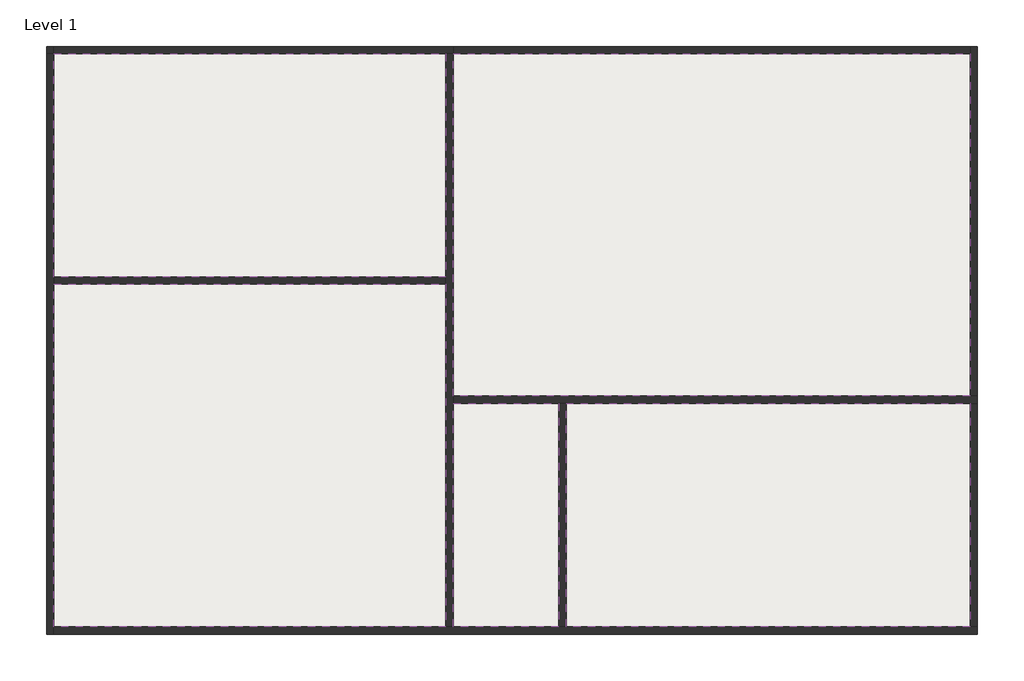
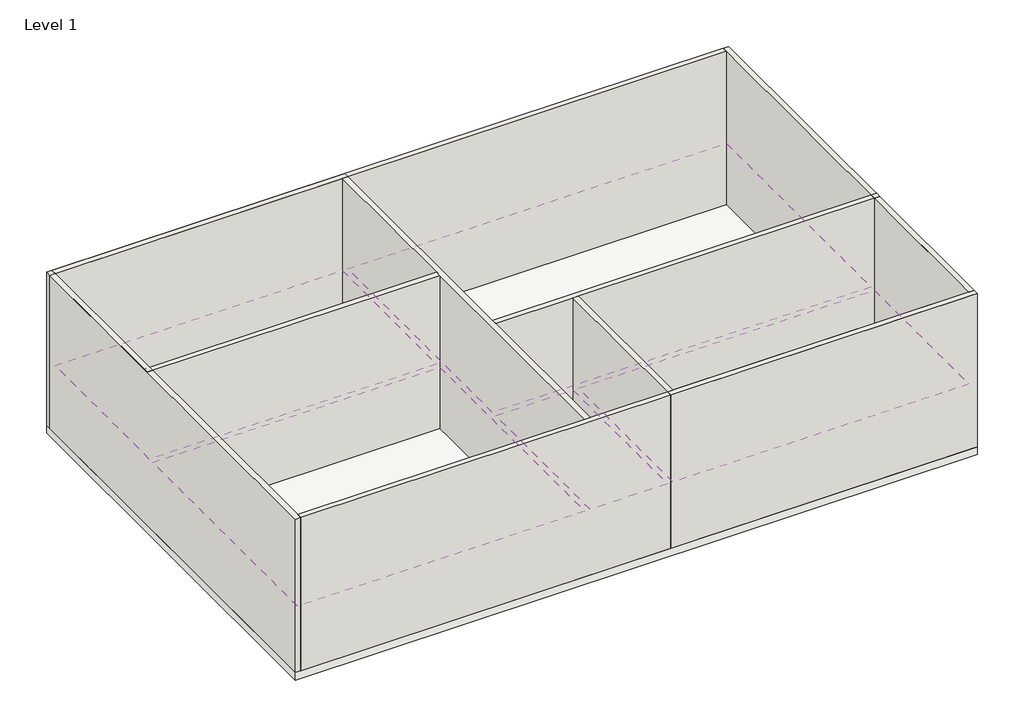
# One storey: 12 walls, 5 coverings, 1 slab.
"""IFC4 building model written with IfcOpenShell, lengths in millimetres."""

from ifc_helpers import new_model, si_unit, frame, origin, origin_with_axes, place, context, project, spatial, polyline, outline, extrude, faceted_brep, element, save

model = new_model("IFC4")

# Units and contexts
model_context = context("Model", 3, world=origin())
ifc_project = project(units=[si_unit("LENGTHUNIT", "METRE", prefix="MILLI")], contexts=[model_context])

# Site, building, storey
site = spatial("IfcSite", under=ifc_project)
building = spatial("IfcBuilding", under=site)
storey = spatial("IfcBuildingStorey", under=building, Name="Level 1", Elevation=0.0)

# Coverings
placement = place(None, origin())
element("IfcCovering", 1, ObjectType="2' x 4' ACT System", at=placement, inside=storey, context=model_context, shape_type="SweptSolid", body=[
    extrude(outline(polyline([(-18685.0844409, 14322.8304166), (-7883.0800423, 14322.8304166), (-7883.0800423, 8172.0598006), (-18685.0844409, 8172.0598006), (-18685.0844409, 14322.8304166)])), frame((0.0, 0.0, 2438.4), z_axis=(0.0, 0.0, 1.0), x_axis=(1.0, 0.0, 0.0)), (0.0, 0.0, 1.0), 57.15),
])
element("IfcCovering", 2, ObjectType="2' x 4' ACT System", at=placement, inside=storey, context=model_context, shape_type="SweptSolid", body=[
    extrude(outline(polyline([(6562.5155591, -1475.9695834), (-4568.3084551, -1475.9695834), (-4568.3084551, 4687.5661268), (6562.5155591, 4687.5661268), (6562.5155591, -1475.9695834)])), frame((0.0, 0.0, 2438.4), z_axis=(0.0, 0.0, 1.0), x_axis=(1.0, 0.0, 0.0)), (0.0, 0.0, 1.0), 57.15),
])
element("IfcCovering", 3, ObjectType="2' x 4' ACT System", at=placement, inside=storey, context=model_context, shape_type="SweptSolid", body=[
    extrude(outline(polyline([(-18685.0844409, -1475.9695834), (-18685.0844409, 7968.8598006), (-7883.0800423, 7968.8598006), (-7883.0800423, -1475.9695834), (-18685.0844409, -1475.9695834)])), frame((0.0, 0.0, 2438.4), z_axis=(0.0, 0.0, 1.0), x_axis=(1.0, 0.0, 0.0)), (0.0, 0.0, 1.0), 57.15),
])
element("IfcCovering", 4, ObjectType="2' x 4' ACT System", at=placement, inside=storey, context=model_context, shape_type="SweptSolid", body=[
    extrude(outline(polyline([(-4771.5084551, -1475.9695834), (-7679.8800423, -1475.9695834), (-7679.8800423, 4687.5661268), (-4771.5084551, 4687.5661268), (-4771.5084551, -1475.9695834)])), frame((0.0, 0.0, 2438.4), z_axis=(0.0, 0.0, 1.0), x_axis=(1.0, 0.0, 0.0)), (0.0, 0.0, 1.0), 57.15),
])
element("IfcCovering", 5, ObjectType="2' x 4' ACT System", at=placement, inside=storey, context=model_context, shape_type="SweptSolid", body=[
    extrude(outline(polyline([(-7679.8800423, 14322.8304166), (6562.5155591, 14322.8304166), (6562.5155591, 4890.7661268), (-7679.8800423, 4890.7661268), (-7679.8800423, 14322.8304166)])), frame((0.0, 0.0, 2438.4), z_axis=(0.0, 0.0, 1.0), x_axis=(1.0, 0.0, 0.0)), (0.0, 0.0, 1.0), 57.15),
])

# Slab
element("IfcSlab", 6, ObjectType="Generic - 12\"", at=placement, inside=storey, context=model_context, shape_type="SweptSolid", body=[
    extrude(outline(polyline([(-18888.2844409, 14526.0304166), (6765.7155591, 14526.0304166), (6765.7155591, -1679.1695834), (-18888.2844409, -1679.1695834), (-18888.2844409, 14526.0304166)])), frame((0.0, 0.0, -304.8), z_axis=(0.0, 0.0, 1.0), x_axis=(1.0, 0.0, 0.0)), (0.0, 0.0, 1.0), 304.8),
])

# Walls
element("IfcWall", 7, ObjectType="Generic - 8\"", at=placement, inside=storey, context=model_context, shape_type="Brep", body=[
    faceted_brep([(-18888.2844409, 14322.8304166, 0.0), (-18685.0844409, 14322.8304166, 0.0), (6562.5155591, 14322.8304166, 0.0), (6562.5155591, 14322.8304166, 6096.0), (-18685.0844409, 14322.8304166, 6096.0), (-18888.2844409, 14322.8304166, 6096.0), (-18888.2844409, 14526.0304166, 0.0), (-18888.2844409, 14526.0304166, 6096.0), (6562.5155591, 14526.0304166, 6096.0), (6562.5155591, 14526.0304166, 0.0)], [[[0, 1, 2, 3, 4, 5]], [[6, 7, 8, 9]], [[2, 1, 0, 6, 9]], [[5, 4, 3, 8, 7]], [[0, 5, 7, 6]], [[3, 2, 9, 8]]]),
])
element("IfcWall", 8, ObjectType="Generic - 8\"", at=placement, inside=storey, context=model_context, shape_type="Brep", body=[
    faceted_brep([(-18685.0844409, -1679.1695834, 0.0), (-18685.0844409, -1475.9695834, 0.0), (-18685.0844409, 14322.8304166, 0.0), (-18685.0844409, 14322.8304166, 6096.0), (-18685.0844409, -1475.9695834, 6096.0), (-18685.0844409, -1679.1695834, 6096.0), (-18888.2844409, -1679.1695834, 0.0), (-18888.2844409, -1679.1695834, 6096.0), (-18888.2844409, 14322.8304166, 6096.0), (-18888.2844409, 14322.8304166, 0.0)], [[[0, 1, 2, 3, 4, 5]], [[6, 7, 8, 9]], [[2, 1, 0, 6, 9]], [[5, 4, 3, 8, 7]], [[0, 5, 7, 6]], [[3, 2, 9, 8]]]),
])
element("IfcWall", 9, ObjectType="Generic - 8\"", at=placement, inside=storey, context=model_context, shape_type="Brep", body=[
    faceted_brep([(6765.7155591, -1475.9695834, 0.0), (6562.5155591, -1475.9695834, 0.0), (-7679.8800423, -1475.9695834, 0.0), (-7883.0800423, -1475.9695834, 0.0), (-18685.0844409, -1475.9695834, 0.0), (-18685.0844409, -1475.9695834, 6096.0), (-7883.0800423, -1475.9695834, 6096.0), (-7679.8800423, -1475.9695834, 6096.0), (6562.5155591, -1475.9695834, 6096.0), (6765.7155591, -1475.9695834, 6096.0), (6765.7155591, -1679.1695834, 0.0), (6765.7155591, -1679.1695834, 6096.0), (-18685.0844409, -1679.1695834, 6096.0), (-18685.0844409, -1679.1695834, 0.0)], [[[0, 1, 2, 3, 4, 5, 6, 7, 8, 9]], [[10, 11, 12, 13]], [[4, 3, 2, 1, 0, 10, 13]], [[9, 8, 7, 6, 5, 12, 11]], [[0, 9, 11, 10]], [[5, 4, 13, 12]]]),
])
element("IfcWall", 10, ObjectType="Generic - 8\"", at=placement, inside=storey, context=model_context, shape_type="Brep", body=[
    faceted_brep([(6562.5155591, 14526.0304166, 0.0), (6562.5155591, 14322.8304166, 0.0), (6562.5155591, -1475.9695834, 0.0), (6562.5155591, -1475.9695834, 6096.0), (6562.5155591, 14322.8304166, 6096.0), (6562.5155591, 14526.0304166, 6096.0), (6765.7155591, 14526.0304166, 0.0), (6765.7155591, 14526.0304166, 6096.0), (6765.7155591, -1475.9695834, 6096.0), (6765.7155591, -1475.9695834, 0.0)], [[[0, 1, 2, 3, 4, 5]], [[6, 7, 8, 9]], [[2, 1, 0, 6, 9]], [[5, 4, 3, 8, 7]], [[0, 5, 7, 6]], [[3, 2, 9, 8]]]),
])
element("IfcWall", 11, ObjectType="Generic - 8\"", at=placement, inside=storey, context=model_context, shape_type="Brep", body=[
    faceted_brep([(-4771.5084551, -1679.1695834, 0.0), (6562.5155591, -1679.1695834, 0.0), (6562.5155591, -1679.1695834, 6096.0), (-4771.5084551, -1679.1695834, 6096.0), (-4771.5084551, -1475.9695834, 0.0), (-4771.5084551, -1475.9695834, 6096.0), (-4568.3084551, -1475.9695834, 6096.0), (6562.5155591, -1475.9695834, 6096.0), (6562.5155591, -1475.9695834, 0.0), (-4568.3084551, -1475.9695834, 0.0)], [[[0, 1, 2, 3]], [[4, 5, 6, 7, 8, 9]], [[1, 0, 4, 9, 8]], [[3, 2, 7, 6, 5]], [[0, 3, 5, 4]], [[2, 1, 8, 7]]]),
])
element("IfcWall", 12, ObjectType="Generic - 8\"", at=placement, inside=storey, context=model_context, shape_type="SweptSolid", body=[
    extrude(outline(polyline([(-4771.5084551, -1475.9695834), (-4771.5084551, 4687.5661268), (-4568.3084551, 4687.5661268), (-4568.3084551, -1475.9695834), (-4771.5084551, -1475.9695834)])), origin_with_axes(), (0.0, 0.0, 1.0), 6096.0),
])
element("IfcWall", 13, ObjectType="Generic - 8\"", at=placement, inside=storey, context=model_context, shape_type="Brep", body=[
    faceted_brep([(6765.7155591, 4890.7661268, 0.0), (-7679.8800423, 4890.7661268, 0.0), (-7679.8800423, 4890.7661268, 6096.0), (6765.7155591, 4890.7661268, 6096.0), (6765.7155591, 4687.5661268, 0.0), (6765.7155591, 4687.5661268, 6096.0), (6562.5155591, 4687.5661268, 6096.0), (-4568.3084551, 4687.5661268, 6096.0), (-4771.5084551, 4687.5661268, 6096.0), (-7679.8800423, 4687.5661268, 6096.0), (-7679.8800423, 4687.5661268, 0.0), (-4771.5084551, 4687.5661268, 0.0), (-4568.3084551, 4687.5661268, 0.0), (6562.5155591, 4687.5661268, 0.0)], [[[0, 1, 2, 3]], [[4, 5, 6, 7, 8, 9, 10, 11, 12, 13]], [[1, 0, 4, 13, 12, 11, 10]], [[3, 2, 9, 8, 7, 6, 5]], [[0, 3, 5, 4]], [[2, 1, 10, 9]]]),
])
element("IfcWall", 14, ObjectType="Generic - 8\"", at=placement, inside=storey, context=model_context, shape_type="SweptSolid", body=[
    extrude(outline(polyline([(6765.7155591, 4687.5661268), (6765.7155591, -1475.9695834), (6562.5155591, -1475.9695834), (6562.5155591, 4687.5661268), (6765.7155591, 4687.5661268)])), origin_with_axes(), (0.0, 0.0, 1.0), 6096.0),
])
element("IfcWall", 15, ObjectType="Generic - 8\"", at=placement, inside=storey, context=model_context, shape_type="Brep", body=[
    faceted_brep([(-7679.8800423, 14526.0304166, 0.0), (-18685.0844409, 14526.0304166, 0.0), (-18685.0844409, 14526.0304166, 6096.0), (-7679.8800423, 14526.0304166, 6096.0), (-7679.8800423, 14322.8304166, 0.0), (-7679.8800423, 14322.8304166, 6096.0), (-7883.0800423, 14322.8304166, 6096.0), (-18685.0844409, 14322.8304166, 6096.0), (-18685.0844409, 14322.8304166, 0.0), (-7883.0800423, 14322.8304166, 0.0)], [[[0, 1, 2, 3]], [[4, 5, 6, 7, 8, 9]], [[1, 0, 4, 9, 8]], [[3, 2, 7, 6, 5]], [[0, 3, 5, 4]], [[2, 1, 8, 7]]]),
])
element("IfcWall", 16, ObjectType="Generic - 8\"", at=placement, inside=storey, context=model_context, shape_type="Brep", body=[
    faceted_brep([(-7679.8800423, -1475.9695834, 0.0), (-7679.8800423, 4687.5661268, 0.0), (-7679.8800423, 4890.7661268, 0.0), (-7679.8800423, 14322.8304166, 0.0), (-7679.8800423, 14322.8304166, 6096.0), (-7679.8800423, 4890.7661268, 6096.0), (-7679.8800423, 4687.5661268, 6096.0), (-7679.8800423, -1475.9695834, 6096.0), (-7883.0800423, -1475.9695834, 0.0), (-7883.0800423, -1475.9695834, 6096.0), (-7883.0800423, 7968.8598006, 6096.0), (-7883.0800423, 8172.0598006, 6096.0), (-7883.0800423, 14322.8304166, 6096.0), (-7883.0800423, 14322.8304166, 0.0), (-7883.0800423, 8172.0598006, 0.0), (-7883.0800423, 7968.8598006, 0.0)], [[[0, 1, 2, 3, 4, 5, 6, 7]], [[8, 9, 10, 11, 12, 13, 14, 15]], [[3, 2, 1, 0, 8, 15, 14, 13]], [[7, 6, 5, 4, 12, 11, 10, 9]], [[4, 3, 13, 12]], [[0, 7, 9, 8]]]),
])
element("IfcWall", 17, ObjectType="Generic - 8\"", at=placement, inside=storey, context=model_context, shape_type="Brep", body=[
    faceted_brep([(-18888.2844409, 7968.8598006, 0.0), (-7883.0800423, 7968.8598006, 0.0), (-7883.0800423, 7968.8598006, 6096.0), (-18888.2844409, 7968.8598006, 6096.0), (-18888.2844409, 8172.0598006, 0.0), (-18888.2844409, 8172.0598006, 6096.0), (-18685.0844409, 8172.0598006, 6096.0), (-7883.0800423, 8172.0598006, 6096.0), (-7883.0800423, 8172.0598006, 0.0), (-18685.0844409, 8172.0598006, 0.0)], [[[0, 1, 2, 3]], [[4, 5, 6, 7, 8, 9]], [[1, 0, 4, 9, 8]], [[3, 2, 7, 6, 5]], [[0, 3, 5, 4]], [[2, 1, 8, 7]]]),
])
element("IfcWall", 18, ObjectType="Generic - 8\"", at=placement, inside=storey, context=model_context, shape_type="SweptSolid", body=[
    extrude(outline(polyline([(-18888.2844409, 8172.0598006), (-18888.2844409, 14322.8304166), (-18685.0844409, 14322.8304166), (-18685.0844409, 8172.0598006), (-18888.2844409, 8172.0598006)])), origin_with_axes(), (0.0, 0.0, 1.0), 6096.0),
])

save(model, "model.ifc")
